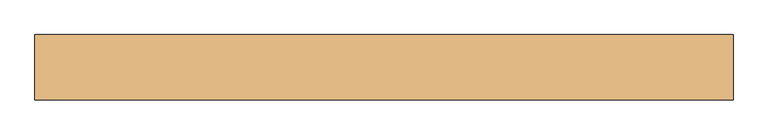
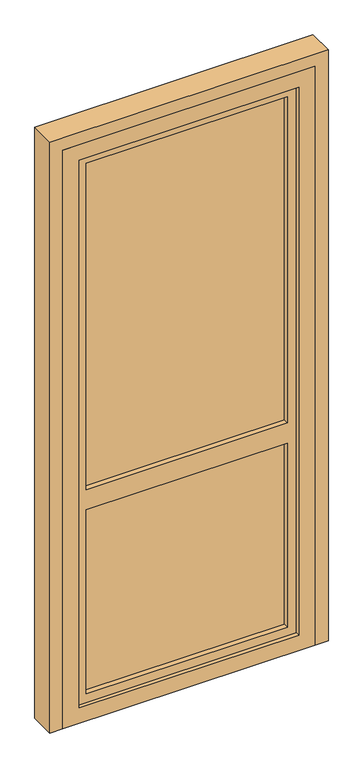
"""IFC4 building model written with IfcOpenShell, lengths in millimetres: door geometry."""

from ifc_helpers import new_model, si_unit, frame, origin, place, context, project, spatial, polyline, outline, extrude, faceted_brep, source, transform, mapped, element, save


def door_31eea977(model_context):
    return source(origin(), model_context, "Body", "SolidModel", [
        faceted_brep([(-430.0, 22.2856269, 2295.0), (-430.0, 22.2856269, 55.0), (-430.0, -33.7143731, 55.0), (-430.0, -33.7143731, 2295.0), (430.0, -33.7143731, 55.0), (430.0, -33.7143731, 2295.0), (-387.0, -33.7143731, 98.0), (-387.0, -33.7143731, 845.0), (387.0, -33.7143731, 845.0), (387.0, -33.7143731, 98.0), (-387.0, -33.7143731, 2252.0), (387.0, -33.7143731, 2252.0), (387.0, -33.7143731, 927.0), (-387.0, -33.7143731, 927.0), (430.0, 22.2856269, 55.0), (-450.0, 22.2856269, 35.0), (450.0, 22.2856269, 35.0), (450.0, 22.2856269, 2315.0), (-450.0, 22.2856269, 2315.0), (430.0, 22.2856269, 2295.0), (-450.0, 36.2856269, 2315.0), (-450.0, 36.2856269, 35.0), (450.0, 36.2856269, 35.0), (450.0, 36.2856269, 2315.0), (387.0, 36.2856269, 98.0), (387.0, 36.2856269, 845.0), (-387.0, 36.2856269, 845.0), (-387.0, 36.2856269, 98.0), (387.0, 36.2856269, 2252.0), (-387.0, 36.2856269, 2252.0), (-387.0, 36.2856269, 927.0), (387.0, 36.2856269, 927.0), (-387.0, 10.2856269, 845.0), (-387.0, 10.2856269, 98.0), (-387.0, 10.2856269, 2252.0), (-387.0, 10.2856269, 927.0), (387.0, 10.2856269, 927.0), (402.0, 10.2856269, 83.0), (402.0, 10.2856269, 860.0), (-402.0, 10.2856269, 860.0), (-402.0, 10.2856269, 83.0), (387.0, 10.2856269, 845.0), (387.0, 10.2856269, 98.0), (-402.0, 10.2856269, 2267.0), (-402.0, 10.2856269, 912.0), (402.0, 10.2856269, 912.0), (402.0, 10.2856269, 2267.0), (387.0, 10.2856269, 2252.0), (-402.0, -13.7143731, 860.0), (-402.0, -13.7143731, 83.0), (-402.0, -13.7143731, 912.0), (-402.0, -13.7143731, 2267.0), (402.0, -13.7143731, 83.0), (402.0, -13.7143731, 860.0), (-387.0, -13.7143731, 98.0), (387.0, -13.7143731, 98.0), (387.0, -13.7143731, 845.0), (-387.0, -13.7143731, 845.0), (402.0, -13.7143731, 2267.0), (402.0, -13.7143731, 912.0), (387.0, -13.7143731, 2252.0), (-387.0, -13.7143731, 2252.0), (-387.0, -13.7143731, 927.0), (387.0, -13.7143731, 927.0)], [[[0, 1, 2, 3]], [[2, 4, 5, 3], [6, 7, 8, 9], [10, 11, 12, 13]], [[1, 14, 4, 2]], [[15, 16, 17, 18], [0, 19, 14, 1]], [[20, 21, 15, 18]], [[21, 22, 16, 15]], [[20, 23, 22, 21], [24, 25, 26, 27], [28, 29, 30, 31]], [[27, 26, 32, 33]], [[34, 35, 30, 29]], [[30, 35, 36, 31]], [[37, 38, 39, 40], [33, 32, 41, 42]], [[43, 44, 45, 46], [47, 36, 35, 34]], [[33, 42, 24, 27]], [[25, 41, 32, 26]], [[39, 48, 49, 40]], [[50, 44, 43, 51]], [[49, 52, 37, 40]], [[49, 48, 53, 52], [54, 55, 56, 57]], [[58, 59, 50, 51], [60, 61, 62, 63]], [[48, 39, 38, 53]], [[59, 45, 44, 50]], [[10, 13, 62, 61]], [[54, 57, 7, 6]], [[62, 13, 12, 63]], [[6, 9, 55, 54]], [[56, 8, 7, 57]], [[14, 19, 5, 4]], [[22, 23, 17, 16]], [[28, 31, 36, 47]], [[42, 41, 25, 24]], [[53, 38, 37, 52]], [[45, 59, 58, 46]], [[9, 8, 56, 55]], [[60, 63, 12, 11]], [[18, 17, 23, 20]], [[3, 5, 19, 0]], [[29, 28, 47, 34]], [[43, 46, 58, 51]], [[61, 60, 11, 10]]]),
        faceted_brep([(-485.0, 20.2856269, 0.0), (485.0, 20.2856269, 0.0), (485.0, -49.7143731, 0.0), (-485.0, -49.7143731, 0.0), (485.0, 20.2856269, 2350.0), (485.0, -49.7143731, 2350.0), (-485.0, -49.7143731, 2350.0), (422.0, -49.7143731, 2287.0), (422.0, -49.7143731, 63.0), (-422.0, -49.7143731, 63.0), (-422.0, -49.7143731, 2287.0), (-485.0, 20.2856269, 2350.0), (442.0, 20.2856269, 43.0), (442.0, 20.2856269, 2307.0), (-442.0, 20.2856269, 2307.0), (-442.0, 20.2856269, 43.0), (-442.0, -35.7143731, 43.0), (442.0, -35.7143731, 43.0), (442.0, -35.7143731, 2307.0), (-442.0, -35.7143731, 2307.0), (422.0, -35.7143731, 63.0), (422.0, -35.7143731, 2287.0), (-422.0, -35.7143731, 2287.0), (-422.0, -35.7143731, 63.0)], [[[0, 1, 2, 3]], [[1, 4, 5, 2]], [[2, 5, 6, 3], [7, 8, 9, 10]], [[4, 1, 0, 11], [12, 13, 14, 15]], [[16, 17, 12, 15]], [[17, 18, 13, 12]], [[18, 17, 16, 19], [20, 21, 22, 23]], [[9, 8, 20, 23]], [[8, 7, 21, 20]], [[11, 0, 3, 6]], [[19, 16, 15, 14]], [[10, 9, 23, 22]], [[4, 11, 6, 5]], [[18, 19, 14, 13]], [[7, 10, 22, 21]]]),
        extrude(outline(polyline([(0.0, 535.0), (2400.0, 535.0), (2400.0, -535.0), (0.0, -535.0), (0.0, -485.0), (2350.0, -485.0), (2350.0, 485.0), (0.0, 485.0), (0.0, 535.0)])), frame((0.0, -49.7143731, 0.0), z_axis=(0.0, 1.0, 0.0), x_axis=(0.0, 0.0, 1.0)), (0.0, 0.0, 1.0), 100.0),
        extrude(outline(polyline([(402.0, -13.7143731), (-402.0, -13.7143731), (-402.0, 10.2856269), (402.0, 10.2856269), (402.0, -13.7143731)])), frame((0.0, 0.0, 83.0), z_axis=(0.0, 0.0, 1.0), x_axis=(1.0, 0.0, 0.0)), (0.0, 0.0, 1.0), 777.0),
        extrude(outline(polyline([(402.0, -13.7143731), (-402.0, -13.7143731), (-402.0, 10.2856269), (402.0, 10.2856269), (402.0, -13.7143731)])), frame((0.0, 0.0, 912.0), z_axis=(0.0, 0.0, 1.0), x_axis=(1.0, 0.0, 0.0)), (0.0, 0.0, 1.0), 1355.0),
    ])


if __name__ == "__main__":
    model = new_model("IFC4")
    model_context = context("Model", 3, world=origin())
    ifc_project = project(units=[si_unit("LENGTHUNIT", "METRE", prefix="MILLI")], contexts=[model_context])
    site = spatial("IfcSite", under=ifc_project)
    building = spatial("IfcBuilding", under=site)
    placement = place(None, origin())
    door_shape = door_31eea977(model_context)
    element("IfcDoor", 1, at=placement, inside=building, context=model_context, shape_type="MappedRepresentation", body=[
        mapped(door_shape, transform((0.0, 0.0, 0.0), x_axis=(1.0, 0.0, 0.0), y_axis=(0.0, 1.0, 0.0), z_axis=(0.0, 0.0, 1.0))),
    ])
    save(model, "model.ifc")
